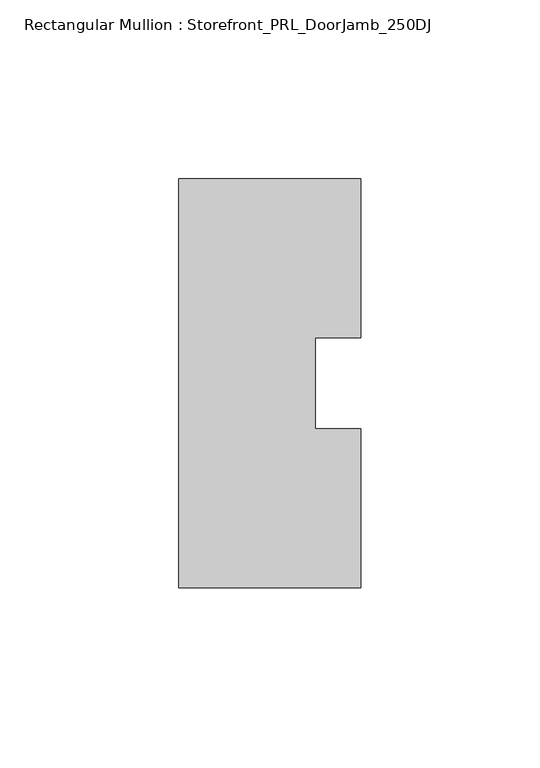
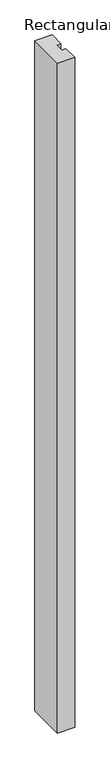
"""IFC4 building model written with IfcOpenShell, lengths in millimetres: member geometry, Rectangular Mullion : Storefront_PRL_DoorJamb_250DJ."""

from ifc_helpers import new_model, si_unit, frame, origin, place, context, project, spatial, polyline, outline, extrude, source, transform, mapped, element, save


def rectangular_mullion_storefront_prl_doorjamb_250dj_cb9724b2(model_context):
    return source(origin(), model_context, "Body", "SweptSolid", [
        extrude(outline(polyline([(12.7, -12.7), (25.4, -12.7), (25.4, -57.15), (-25.4, -57.15), (-25.4, 57.15), (25.4, 57.15), (25.4, 12.7), (12.7, 12.7), (12.7, -12.7)])), frame((0.0, 0.0, -2076.45), z_axis=(0.0, 0.0, 1.0), x_axis=(1.0, 0.0, 0.0)), (0.0, 0.0, 1.0), 2076.45),
    ])


if __name__ == "__main__":
    model = new_model("IFC4")
    model_context = context("Model", 3, world=origin())
    ifc_project = project(units=[si_unit("LENGTHUNIT", "METRE", prefix="MILLI")], contexts=[model_context])
    site = spatial("IfcSite", under=ifc_project)
    building = spatial("IfcBuilding", under=site)
    placement = place(None, origin())
    rectangular_mullion_storefront_prl_doorjamb_250dj_shape = rectangular_mullion_storefront_prl_doorjamb_250dj_cb9724b2(model_context)
    element("IfcMember", 1, ObjectType="Rectangular Mullion : Storefront_PRL_DoorJamb_250DJ", at=placement, inside=building, context=model_context, shape_type="MappedRepresentation", body=[
        mapped(rectangular_mullion_storefront_prl_doorjamb_250dj_shape, transform((0.0, 0.0, 0.0), x_axis=(1.0, 0.0, 0.0), y_axis=(0.0, 1.0, 0.0), z_axis=(0.0, 0.0, 1.0))),
    ])
    save(model, "model.ifc")
